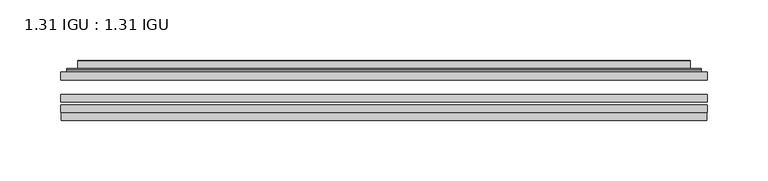
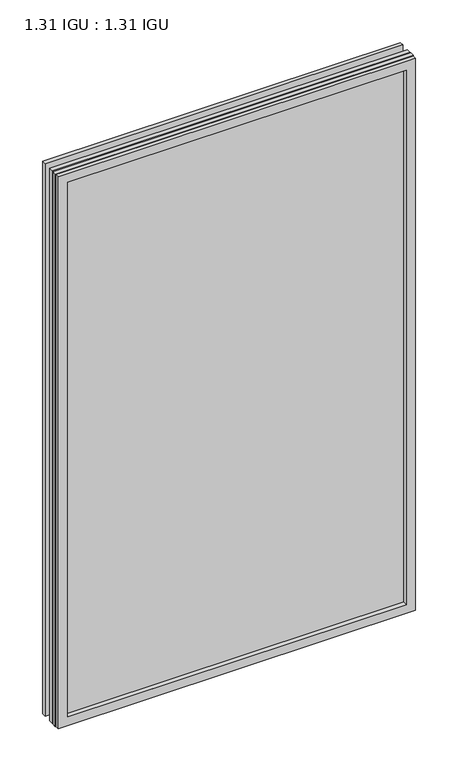
"""IFC4 building model written with IfcOpenShell, lengths in millimetres: plate geometry, 1.31 IGU : 1.31 IGU."""

from ifc_helpers import new_model, si_unit, frame, origin, place, context, project, spatial, polyline, ellipse_curve, outline, extrude, faceted_brep, source, transform, mapped, element, save
from ifc_brep_helpers import plane_surface, cylinder_surface, advanced_brep


def plate_1_31_igu_1_31_igu_236e5025(model_context):
    return source(origin(), model_context, "Body", "SolidModel", [
        extrude(outline(polyline([(266.714175, -63.59525), (266.714175, -69.94525), (-266.7, -69.94525), (-266.7, -63.59525), (266.714175, -63.59525)])), frame((0.0, 0.0, -14.2875), z_axis=(0.0, 0.0, 1.0), x_axis=(1.0, 0.0, 0.0)), (0.0, 0.0, 1.0), 869.9537979),
        extrude(outline(polyline([(-266.7, -78.58125), (-266.7, -72.230745), (266.714175, -72.230745), (266.714175, -78.58125), (-266.7, -78.58125)])), frame((0.0, 0.0, -14.2875), z_axis=(0.0, 0.0, 1.0), x_axis=(1.0, 0.0, 0.0)), (0.0, 0.0, 1.0), 869.9537979),
        extrude(outline(polyline([(266.714175, -45.25645), (266.714175, -51.60645), (-266.7, -51.60645), (-266.7, -45.25645), (266.714175, -45.25645)])), frame((0.0, 0.0, -14.2875), z_axis=(0.0, 0.0, 1.0), x_axis=(1.0, 0.0, 0.0)), (0.0, 0.0, 1.0), 869.9537979),
        faceted_brep([(-265.9998142, -84.93125, 854.9623142), (-265.9998142, -78.58125, 854.9623142), (-265.9998142, -78.58125, -13.5873142), (-265.9998142, -84.93125, -13.5873142), (265.9998142, -78.58125, -13.5873142), (265.9998142, -84.93125, -13.5873142), (265.9998142, -78.58125, 854.9623142), (265.9998142, -84.93125, 854.9623142), (-251.5147559, -78.58125, 0.8977441), (251.5147559, -78.58125, 0.8977441), (251.5147559, -78.58125, 840.4772559), (-251.5147559, -78.58125, 840.4772559), (-252.4071902, -84.93125, 841.3696902), (252.4071902, -84.93125, 841.3696902), (252.4071902, -84.93125, 0.0053098), (-252.4071902, -84.93125, 0.0053098)], [[[0, 1, 2, 3]], [[3, 2, 4, 5]], [[5, 4, 6, 7]], [[1, 6, 4, 2], [8, 9, 10, 11]], [[7, 6, 1, 0]], [[3, 5, 7, 0], [12, 13, 14, 15]], [[11, 12, 15, 8]], [[8, 15, 14, 9]], [[9, 14, 13, 10]], [[10, 13, 12, 11]]]),
        advanced_brep(
        [(-259.458719, -45.25645, 848.4212191), (-261.8129244, -43.2667833, 850.7754244), (-261.8129244, -43.2667833, -9.4004244), (-259.458719, -45.25645, -7.046219), (-250.3843939, -41.416413, 839.3468939), (-245.4495621, -45.25645, 834.4120621), (-245.4495621, -45.25645, 6.9629379), (-250.3843939, -41.416413, 2.0281061), (-251.4164217, -36.0191819, 840.3789217), (-251.4164217, -36.0191819, 0.9960783), (-252.4070784, -35.6202069, 841.3695784), (-252.4070784, -35.6202069, 0.0054216), (-252.4070784, -42.08145, 841.3695784), (-252.4070784, -42.08145, 0.0054216), (-260.8111349, -42.08145, 849.7736349), (-260.8111349, -42.08145, -8.3986349), (261.8129244, -43.2667833, -9.4004244), (259.458719, -45.25645, -7.046219), (245.4495621, -45.25645, 6.9629379), (250.3843939, -41.416413, 2.0281061), (251.4164217, -36.0191819, 0.9960783), (252.4070784, -35.6202069, 0.0054216), (252.4070784, -42.08145, 0.0054216), (260.8111349, -42.08145, -8.3986349), (261.8129244, -43.2667833, 850.7754244), (259.458719, -45.25645, 848.4212191), (245.4495621, -45.25645, 834.4120621), (250.3843939, -41.416413, 839.3468939), (251.4164217, -36.0191819, 840.3789217), (252.4070784, -35.6202069, 841.3695784), (252.4070784, -42.08145, 841.3695784), (260.8111349, -42.08145, 849.7736349)],
        [
            (0, 1, ellipse_curve(frame((-259.458719, -42.86885, 848.4212191), z_axis=(-0.7071067811865475, 0.0, -0.7071067811865475), x_axis=(-0.7071067811865474, 0.0, 0.7071067811865476)), 3.3765763, 2.3876)),
            (1, 2),
            (2, 3, ellipse_curve(frame((-259.458719, -42.86885, -7.046219), z_axis=(-0.7071067811865475, 0.0, 0.7071067811865475), x_axis=(0.7071067811865474, 0.0, 0.7071067811865476)), 3.3765763, 2.3876)),
            (3, 0),
            (4, 5),
            (5, 6),
            (6, 7),
            (7, 4),
            (8, 4),
            (7, 9),
            (9, 8),
            (10, 8, ellipse_curve(frame((-252.0401219, -36.1384423, 841.0026219), z_axis=(-0.7071067811865475, 0.0, -0.7071067811865475), x_axis=(-0.7071067811865474, 0.0, 0.7071067811865476)), 0.8980256, 0.635)),
            (9, 11, ellipse_curve(frame((-252.0401219, -36.1384423, 0.3723781), z_axis=(-0.7071067811865475, 0.0, 0.7071067811865475), x_axis=(0.7071067811865474, 0.0, 0.7071067811865476)), 0.8980256, 0.635)),
            (11, 10),
            (12, 10),
            (11, 13),
            (13, 12),
            (1, 14, ellipse_curve(frame((-260.8111349, -43.09745, 849.7736349), z_axis=(-0.7071067811865475, 0.0, -0.7071067811865475), x_axis=(-0.7071067811865474, 0.0, 0.7071067811865476)), 1.436841, 1.016)),
            (14, 15),
            (15, 2, ellipse_curve(frame((-260.8111349, -43.09745, -8.3986349), z_axis=(-0.7071067811865475, 0.0, 0.7071067811865475), x_axis=(0.7071067811865474, 0.0, 0.7071067811865476)), 1.436841, 1.016)),
            (2, 16),
            (16, 17, ellipse_curve(frame((259.458719, -42.86885, -7.046219), z_axis=(-0.7071067811865475, 0.0, -0.7071067811865475), x_axis=(-0.7071067811865476, 0.0, 0.7071067811865474)), 3.3765763, 2.3876)),
            (17, 3),
            (6, 18),
            (18, 19),
            (19, 7),
            (19, 20),
            (20, 9),
            (20, 21, ellipse_curve(frame((252.0401219, -36.1384423, 0.3723781), z_axis=(-0.7071067811865475, 0.0, -0.7071067811865475), x_axis=(-0.7071067811865476, 0.0, 0.7071067811865474)), 0.8980256, 0.635)),
            (21, 11),
            (21, 22),
            (22, 13),
            (15, 23),
            (23, 16, ellipse_curve(frame((260.8111349, -43.09745, -8.3986349), z_axis=(-0.7071067811865475, 0.0, -0.7071067811865475), x_axis=(-0.7071067811865476, 0.0, 0.7071067811865474)), 1.436841, 1.016)),
            (16, 24),
            (24, 25, ellipse_curve(frame((259.458719, -42.86885, 848.4212191), z_axis=(0.7071067811865475, 0.0, -0.7071067811865475), x_axis=(-0.7071067811865474, 0.0, -0.7071067811865476)), 3.3765763, 2.3876)),
            (25, 17),
            (18, 26),
            (26, 27),
            (27, 19),
            (27, 28),
            (28, 20),
            (28, 29, ellipse_curve(frame((252.0401219, -36.1384423, 841.0026219), z_axis=(0.7071067811865475, 0.0, -0.7071067811865475), x_axis=(-0.7071067811865474, 0.0, -0.7071067811865476)), 0.8980256, 0.635)),
            (29, 21),
            (29, 30),
            (30, 22),
            (23, 31),
            (31, 24, ellipse_curve(frame((260.8111349, -43.09745, 849.7736349), z_axis=(0.7071067811865475, 0.0, -0.7071067811865475), x_axis=(-0.7071067811865474, 0.0, -0.7071067811865476)), 1.436841, 1.016)),
            (24, 1),
            (0, 25),
            (5, 26),
            (4, 27),
            (8, 28),
            (10, 29),
            (12, 30),
            (14, 31),
        ],
        [
            cylinder_surface(frame((-259.458719, -42.86885, 873.125), z_axis=(0.0, 0.0, 1.0), x_axis=(-1.0, 0.0, 0.0)), 2.3876),
            plane_surface(frame((-245.4495621, -45.25645, 834.4120621), z_axis=(0.6141233906514794, 0.7892100234124821, 0.0), x_axis=(0.0, 0.0, -1.0))),
            plane_surface(frame((-250.3843939, -41.416413, 839.3468939), z_axis=(0.9822050625507729, 0.18781164793386076, 0.0), x_axis=(0.0, 0.0, -1.0))),
            cylinder_surface(frame((-252.0401219, -36.1384423, 873.125), z_axis=(0.0, 0.0, 1.0), x_axis=(-1.0, 0.0, 0.0)), 0.635),
            plane_surface(frame((-252.4070784, -35.6202069, 841.3695784), z_axis=(-1.0, 0.0, 0.0), x_axis=(0.0, 0.0, -1.0))),
            cylinder_surface(frame((-260.8111349, -43.09745, 873.125), z_axis=(0.0, 0.0, 1.0), x_axis=(-1.0, 0.0, 0.0)), 1.016),
            cylinder_surface(frame((-284.1625, -42.86885, -7.046219), z_axis=(-1.0, 0.0, 0.0), x_axis=(0.0, 0.0, -1.0)), 2.3876),
            plane_surface(frame((-245.4495621, -45.25645, 6.9629379), z_axis=(0.0, 0.7892100234124841, 0.6141233906514768), x_axis=(1.0, 0.0, 0.0))),
            plane_surface(frame((-250.3843939, -41.416413, 2.0281061), z_axis=(0.0, 0.18781164793386393, 0.9822050625507723), x_axis=(1.0, 0.0, 0.0))),
            cylinder_surface(frame((-284.1625, -36.1384423, 0.3723781), z_axis=(-1.0, 0.0, 0.0), x_axis=(0.0, 0.0, -1.0)), 0.635),
            plane_surface(frame((-252.4070784, -35.6202069, 0.0054216), z_axis=(0.0, 0.0, -1.0), x_axis=(1.0, 0.0, 0.0))),
            cylinder_surface(frame((-284.1625, -43.09745, -8.3986349), z_axis=(-1.0, 0.0, 0.0), x_axis=(0.0, 0.0, -1.0)), 1.016),
            cylinder_surface(frame((259.458719, -42.86885, -31.75), z_axis=(0.0, 0.0, -1.0), x_axis=(1.0, 0.0, 0.0)), 2.3876),
            plane_surface(frame((245.4495621, -45.25645, 6.9629379), z_axis=(-0.6141233906514743, 0.7892100234124861, 0.0), x_axis=(0.0, 0.0, 1.0))),
            plane_surface(frame((250.3843939, -41.416413, 2.0281061), z_axis=(-0.9822050625507718, 0.1878116479338671, 0.0), x_axis=(0.0, 0.0, 1.0))),
            cylinder_surface(frame((252.0401219, -36.1384423, -31.75), z_axis=(0.0, 0.0, -1.0), x_axis=(1.0, 0.0, 0.0)), 0.635),
            plane_surface(frame((252.4070784, -35.6202069, 0.0054216), z_axis=(1.0, 0.0, 0.0), x_axis=(0.0, 0.0, 1.0))),
            cylinder_surface(frame((260.8111349, -43.09745, -31.75), z_axis=(0.0, 0.0, -1.0), x_axis=(1.0, 0.0, 0.0)), 1.016),
            cylinder_surface(frame((284.1625, -42.86885, 848.4212191), z_axis=(1.0, 0.0, 0.0), x_axis=(0.0, 0.0, 1.0)), 2.3876),
            plane_surface(frame((259.458719, -45.25645, 848.4212191), z_axis=(0.0, -1.0, 0.0), x_axis=(-1.0, 0.0, 0.0))),
            plane_surface(frame((245.4495621, -45.25645, 834.4120621), z_axis=(0.0, 0.7892100234124841, -0.6141233906514768), x_axis=(-1.0, 0.0, 0.0))),
            plane_surface(frame((250.3843939, -41.416413, 839.3468939), z_axis=(0.0, 0.18781164793386393, -0.9822050625507723), x_axis=(-1.0, 0.0, 0.0))),
            cylinder_surface(frame((284.1625, -36.1384423, 841.0026219), z_axis=(1.0, 0.0, 0.0), x_axis=(0.0, 0.0, 1.0)), 0.635),
            plane_surface(frame((252.4070784, -35.6202069, 841.3695784), z_axis=(0.0, 0.0, 1.0), x_axis=(-1.0, 0.0, 0.0))),
            plane_surface(frame((252.4070784, -42.08145, 841.3695784), z_axis=(0.0, 1.0, 0.0), x_axis=(-1.0, 0.0, 0.0))),
            cylinder_surface(frame((284.1625, -43.09745, 849.7736349), z_axis=(1.0, 0.0, 0.0), x_axis=(0.0, 0.0, 1.0)), 1.016),
        ],
        [
            (0, [[1, 2, 3, 4]]),
            (1, [[5, 6, 7, 8]]),
            (2, [[9, -8, 10, 11]]),
            (3, [[12, -11, 13, 14]]),
            (4, [[15, -14, 16, 17]]),
            (5, [[18, 19, 20, -2]]),
            (6, [[-3, 21, 22, 23]]),
            (7, [[-7, 24, 25, 26]]),
            (8, [[-10, -26, 27, 28]]),
            (9, [[-13, -28, 29, 30]]),
            (10, [[-16, -30, 31, 32]]),
            (11, [[-20, 33, 34, -21]]),
            (12, [[-22, 35, 36, 37]]),
            (13, [[-25, 38, 39, 40]]),
            (14, [[-27, -40, 41, 42]]),
            (15, [[-29, -42, 43, 44]]),
            (16, [[-31, -44, 45, 46]]),
            (17, [[-34, 47, 48, -35]]),
            (18, [[-36, 49, -1, 50]]),
            (19, [[-23, -37, -50, -4], [51, -38, -24, -6]]),
            (20, [[-39, -51, -5, 52]]),
            (21, [[-41, -52, -9, 53]]),
            (22, [[-43, -53, -12, 54]]),
            (23, [[-45, -54, -15, 55]]),
            (24, [[56, -47, -33, -19], [-32, -46, -55, -17]]),
            (25, [[-48, -56, -18, -49]]),
        ],
    ),
    ])


if __name__ == "__main__":
    model = new_model("IFC4")
    model_context = context("Model", 3, world=origin())
    ifc_project = project(units=[si_unit("LENGTHUNIT", "METRE", prefix="MILLI")], contexts=[model_context])
    site = spatial("IfcSite", under=ifc_project)
    building = spatial("IfcBuilding", under=site)
    placement = place(None, origin())
    plate_1_31_igu_1_31_igu_shape = plate_1_31_igu_1_31_igu_236e5025(model_context)
    element("IfcPlate", 1, ObjectType="1.31 IGU : 1.31 IGU", at=placement, inside=building, context=model_context, shape_type="MappedRepresentation", body=[
        mapped(plate_1_31_igu_1_31_igu_shape, transform((0.0, 0.0, 0.0), x_axis=(1.0, 0.0, 0.0), y_axis=(0.0, 1.0, 0.0), z_axis=(0.0, 0.0, 1.0))),
    ])
    save(model, "model.ifc")
